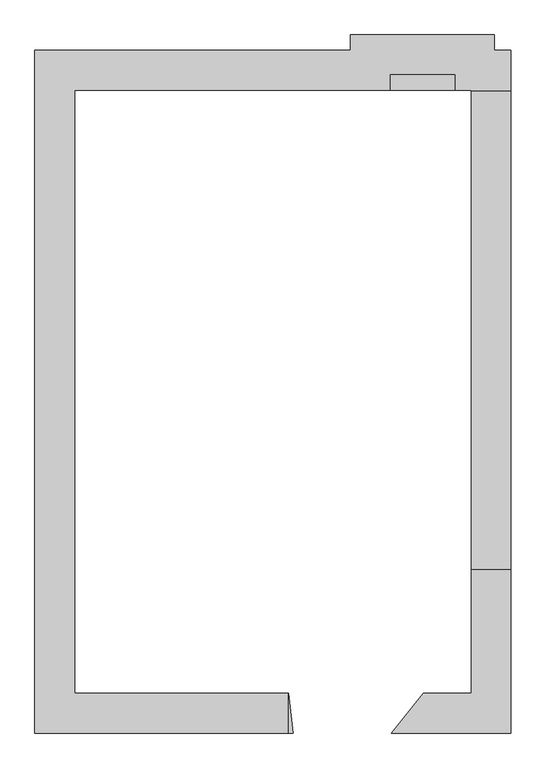
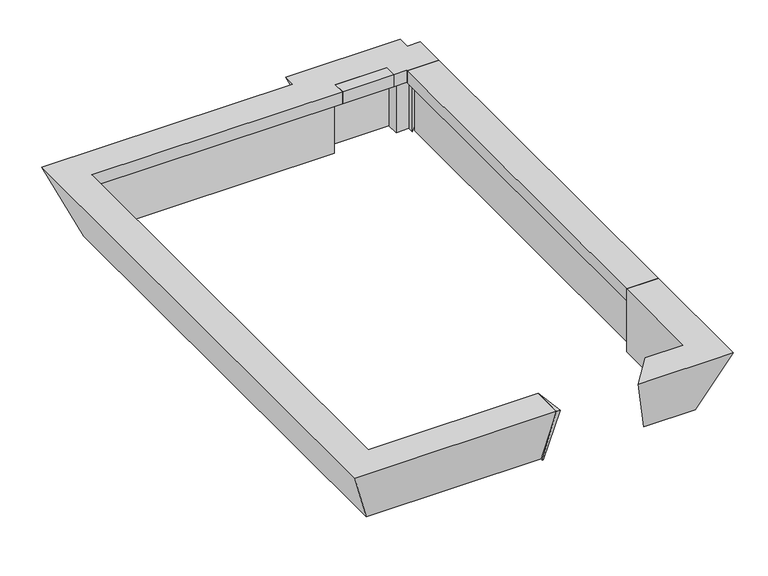
"""IFC4 building model written with IfcOpenShell, lengths in millimetres: geographic element geometry."""

from ifc_helpers import new_model, si_unit, frame, origin, place, context, project, spatial, polyline, outline, extrude, faceted_brep, source, transform, mapped, element, save


def geographic_element_d50807f4(model_context):
    return source(origin(), model_context, "Body", "SolidModel", [
        faceted_brep([(-935.9074003, -3086.4733986, -1250.0), (-935.9074003, -3205.0443848, -1250.0), (-935.9074003, -3587.2131308, -200.0), (-935.9074003, -3086.4733986, -200.0), (-921.8454301, -3205.0443848, -1250.0), (-876.5219854, -3587.2131308, -200.0)], [[[0, 1, 2, 3]], [[1, 0, 4]], [[2, 1, 4, 5]], [[3, 2, 5]], [[0, 3, 5, 4]]]),
        faceted_brep([(1367.655697, -3086.4733986, -1250.0), (1367.655697, -1530.4497562, -1250.0), (1486.2266831, -1530.4497562, -1250.0), (1486.2266831, -3205.0443848, -1250.0), (669.4858394, -3205.0443848, -1250.0), (764.955697, -3086.4733986, -1250.0), (1868.3954291, -3587.2131308, -200.0), (361.7748479, -3587.2131308, -200.0), (1868.3954291, -1530.4497562, -200.0), (1367.655697, -1530.4497562, -200.0), (1367.655697, -3086.4733986, -200.0), (764.955697, -3086.4733986, -200.0)], [[[0, 1, 2, 3, 4, 5]], [[3, 6, 7, 4]], [[6, 8, 9, 10, 11, 7]], [[10, 0, 5, 11]], [[2, 1, 9, 8]], [[3, 2, 8, 6]], [[1, 0, 10, 9]], [[5, 4, 7, 11]]]),
        extrude(outline(polyline([(347.644241, 4513.5266014), (347.644241, 4707.5266014), (1161.6442407, 4707.5266014), (1161.6442407, 4513.5266014), (347.644241, 4513.5266014)])), frame((0.0, 0.0, -400.0), z_axis=(0.0, 0.0, 1.0), x_axis=(1.0, 0.0, 0.0)), (0.0, 0.0, 1.0), 200.0),
        faceted_brep([(-935.9074003, -3587.2131308, -200.0), (-935.9074003, -3167.9024124, -1250.0), (-935.9074003, -3167.9024124, -400.0), (-935.9074003, -3086.4733986, -400.0), (-935.9074003, -3086.4733986, -200.0), (-4133.0954914, -3587.2131308, -200.0), (-3713.7847731, -3167.9024124, -1250.0), (-3713.7847731, -3167.9024124, -400.0), (-3713.7847731, 4594.9556152, -400.0), (266.2152272, 4594.9556152, -400.0), (266.2152272, 4788.9556152, -400.0), (1243.0732545, 4788.9556152, -400.0), (1243.0732545, 4594.9792577, -400.0), (1449.0732546, 4594.9792577, -400.0), (1449.0732546, 4503.5502438, -400.0), (1367.6442408, 4503.5502438, -400.0), (1367.6442408, 4513.5502438, -400.0), (1161.6442407, 4513.5502438, -400.0), (1161.6442407, 4707.5266014, -400.0), (347.644241, 4707.5266014, -400.0), (347.644241, 4513.5266014, -400.0), (-3632.3557592, 4513.5266014, -400.0), (-3632.3557592, -3086.4733986, -400.0), (-3632.3557592, -3086.4733986, -200.0), (-3632.3557592, 4513.5266014, -200.0), (347.644241, 4513.5266014, -200.0), (347.644241, 4707.5266014, -200.0), (1161.6442407, 4707.5266014, -200.0), (1161.6442407, 4513.5502438, -200.0), (1367.6442408, 4513.5502438, -200.0), (1367.6442408, 4503.5502438, -200.0), (1868.3839729, 4503.5502438, -200.0), (1868.3839729, 5014.289976, -200.0), (1662.3839728, 5014.289976, -200.0), (1662.3839728, 5208.2663335, -200.0), (-153.0954911, 5208.2663335, -200.0), (-153.0954911, 5014.2663335, -200.0), (-4133.0954914, 5014.2663335, -200.0), (-3713.7847731, 4594.9556152, -1250.0), (1449.0732546, 4503.5502438, -1250.0), (266.2152272, 4594.9556152, -1250.0), (266.2152272, 4788.9556152, -1250.0), (1243.0732545, 4788.9556152, -1250.0), (1243.0732545, 4594.9792577, -1250.0), (1449.0732546, 4594.9792577, -1250.0)], [[[0, 1, 2, 3, 4]], [[1, 0, 5, 6]], [[2, 1, 6, 7]], [[3, 2, 7, 8, 9, 10, 11, 12, 13, 14, 15, 16, 17, 18, 19, 20, 21, 22]], [[4, 3, 22, 23]], [[0, 4, 23, 24, 25, 26, 27, 28, 29, 30, 31, 32, 33, 34, 35, 36, 37, 5]], [[6, 5, 37, 38]], [[7, 6, 38, 8]], [[23, 22, 21, 24]], [[31, 30, 15, 14, 39]], [[38, 37, 36, 40]], [[8, 38, 40, 9]], [[24, 21, 20, 25]], [[40, 36, 35, 41]], [[9, 40, 41, 10]], [[25, 20, 19, 26]], [[41, 35, 34, 42]], [[10, 41, 42, 11]], [[26, 19, 18, 27]], [[42, 34, 33, 43]], [[11, 42, 43, 12]], [[27, 18, 17, 28]], [[43, 33, 32, 44]], [[12, 43, 44, 13]], [[28, 17, 16, 29]], [[44, 32, 31, 39]], [[13, 44, 39, 14]], [[29, 16, 15, 30]]]),
        extrude(outline(polyline([(-200.0, 1868.3839729), (-200.0, 1367.6442408), (-400.0, 1367.6442408), (-400.0, 1486.2152269), (-1250.0, 1486.2152269), (-200.0, 1868.3839729)])), frame((0.0, -1530.4497562, 0.0), z_axis=(0.0, 1.0, 0.0), x_axis=(0.0, 0.0, 1.0)), (0.0, 0.0, 1.0), 6034.0),
    ])


if __name__ == "__main__":
    model = new_model("IFC4")
    model_context = context("Model", 3, world=origin())
    ifc_project = project(units=[si_unit("LENGTHUNIT", "METRE", prefix="MILLI")], contexts=[model_context])
    site = spatial("IfcSite", under=ifc_project)
    building = spatial("IfcBuilding", under=site)
    placement = place(None, origin())
    geographic_element_shape = geographic_element_d50807f4(model_context)
    element("IfcGeographicElement", 1, at=placement, inside=building, context=model_context, shape_type="MappedRepresentation", body=[
        mapped(geographic_element_shape, transform((0.0, 0.0, 0.0), x_axis=(1.0, 0.0, 0.0), y_axis=(0.0, 1.0, 0.0), z_axis=(0.0, 0.0, 1.0))),
    ])
    save(model, "model.ifc")
